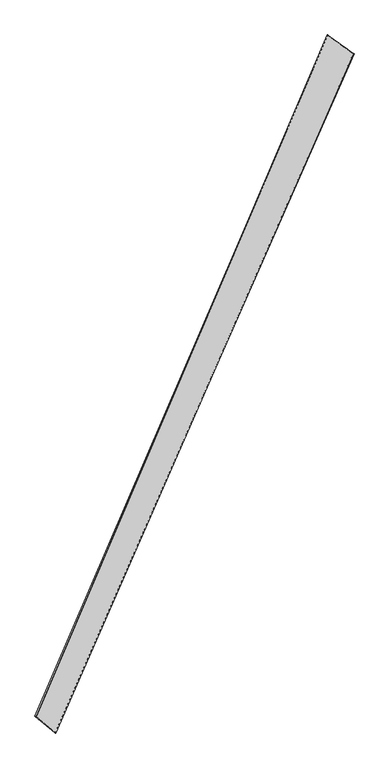
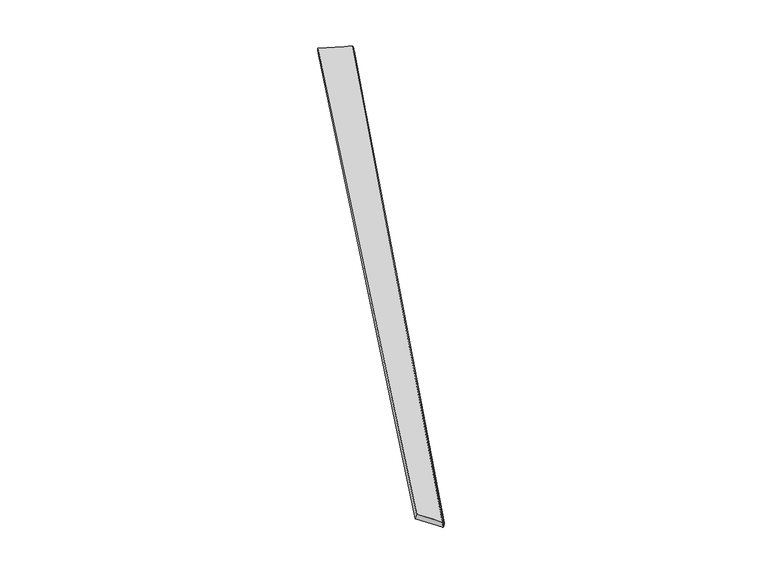
"""IFC4 building model written with IfcOpenShell, lengths in millimetres: proxy geometry."""

import ifcopenshell
import ifcopenshell.guid

model = None  # the IFC model being written
_history = None  # IfcOwnerHistory: only IFC2X3 demands one
_inside = {}  # id of a spatial element -> (the spatial element, [elements in it])
_under = {}  # id of a project, library or spatial element -> (it, [spatial elements below it])
_declared = {}  # id of a project -> (the project, [libraries it declares])
_typed = {}  # id of a type object -> (the type object, [elements of that type])
_made_of = {}  # id of a material, layer set ... -> (it, [elements and type objects made of it])


def new_model(schema):
    """Start an empty IFC model of exactly this schema.

    Asked for "IFC4X3", IfcOpenShell would pick the latest addendum, in which some entities
    have other attributes; the version numbers below select the first issue.
    IFC2X3 requires an IfcOwnerHistory on every rooted entity: one is made here for all.
    """
    global model, _history
    if schema == "IFC4X3":
        model = ifcopenshell.file(schema_version=(4, 3, 0, 0))
    else:
        model = ifcopenshell.file(schema=schema)
    _inside.clear()
    _under.clear()
    _declared.clear()
    _typed.clear()
    _made_of.clear()
    _history = None
    if model.schema == "IFC2X3":
        org = make("IfcOrganization", Name="unknown")
        user = make(
            "IfcPersonAndOrganization",
            ThePerson=make("IfcPerson", FamilyName="unknown"),
            TheOrganization=org,
        )
        app = make(
            "IfcApplication",
            ApplicationDeveloper=org,
            Version="unknown",
            ApplicationFullName="unknown",
            ApplicationIdentifier="unknown",
        )
        _history = make(
            "IfcOwnerHistory",
            OwningUser=user,
            OwningApplication=app,
            ChangeAction="ADDED",
            CreationDate=0,
        )
    return model


def make(cls, **values):
    """One entity of the class cls with the attributes given. An attribute that is None is left unset."""
    return model.create_entity(
        cls, **{name: value for name, value in values.items() if value is not None}
    )


def rooted(cls, **values):
    """An entity with a GlobalId (a new one), such as an element, a storey or a relation."""
    return make(cls, GlobalId=ifcopenshell.guid.new(), OwnerHistory=_history, **values)


def si_unit(unit_type, name, prefix=None):
    """IfcSIUnit, for example si_unit("LENGTHUNIT", "METRE", prefix="MILLI")."""
    return make("IfcSIUnit", UnitType=unit_type, Prefix=prefix, Name=name)


def assignment(units):
    """IfcUnitAssignment: the units of a project."""
    return None if units is None else make("IfcUnitAssignment", Units=units)


def point(xyz):
    """IfcCartesianPoint."""
    return None if xyz is None else make("IfcCartesianPoint", Coordinates=xyz)


def direction(xyz):
    """IfcDirection."""
    return None if xyz is None else make("IfcDirection", DirectionRatios=xyz)


def frame(location, z_axis=None, x_axis=None):
    """IfcAxis2Placement3D, a coordinate frame: its origin and axes. An axis left out is left unset."""
    return make(
        "IfcAxis2Placement3D",
        Location=point(location),
        Axis=direction(z_axis),
        RefDirection=direction(x_axis),
    )


def origin():
    """The frame at (0, 0, 0) with its axes left unset."""
    return frame((0.0, 0.0, 0.0))


def place(relative_to, where):
    """IfcLocalPlacement: puts the frame where relative to a parent placement (None: the world)."""
    return make(
        "IfcLocalPlacement", PlacementRelTo=relative_to, RelativePlacement=where
    )


def context(
    kind, dimensions, precision=None, world=None, true_north=None, identifier=None
):
    """IfcGeometricRepresentationContext, for example the 3D "Model" context."""
    return make(
        "IfcGeometricRepresentationContext",
        ContextIdentifier=identifier,
        ContextType=kind,
        CoordinateSpaceDimension=dimensions,
        Precision=precision,
        WorldCoordinateSystem=world,
        TrueNorth=true_north,
    )


def project(units=None, contexts=None):
    """IfcProject with its units and contexts."""
    return rooted(
        "IfcProject",
        Name="project",
        RepresentationContexts=contexts,
        UnitsInContext=assignment(units),
    )


def spatial(cls, under=None, at=None, **own):
    """A site, building, storey or space (cls), placed at a placement, below another one or the project."""
    s = rooted(cls, ObjectPlacement=at, **own)
    if under is not None:
        _under.setdefault(under.id(), (under, []))[1].append(s)
    return s


def shape(context_of_items, identifier, shape_type, items):
    """IfcShapeRepresentation: the items that make up one representation, for example the "Body"."""
    return make(
        "IfcShapeRepresentation",
        ContextOfItems=context_of_items,
        RepresentationIdentifier=identifier,
        RepresentationType=shape_type,
        Items=items,
    )


def source(mapping_origin, context_of_items, identifier, shape_type, items):
    """IfcRepresentationMap: a shape defined once, which mapped items show again and again."""
    return make(
        "IfcRepresentationMap",
        MappingOrigin=mapping_origin,
        MappedRepresentation=shape(context_of_items, identifier, shape_type, items),
    )


def transform(
    local_origin,
    x_axis=None,
    y_axis=None,
    z_axis=None,
    scale=None,
    scale2=None,
    scale3=None,
    uniform=True,
):
    """IfcCartesianTransformationOperator3D, or its non-uniform kind. x_axis, y_axis, z_axis: its Axis1, 2, 3."""
    if uniform:
        return make(
            "IfcCartesianTransformationOperator3D",
            Axis1=direction(x_axis),
            Axis2=direction(y_axis),
            LocalOrigin=point(local_origin),
            Scale=scale,
            Axis3=direction(z_axis),
        )
    return make(
        "IfcCartesianTransformationOperator3DnonUniform",
        Axis1=direction(x_axis),
        Axis2=direction(y_axis),
        LocalOrigin=point(local_origin),
        Scale=scale,
        Axis3=direction(z_axis),
        Scale2=scale2,
        Scale3=scale3,
    )


def mapped(mapping_source, mapping_target):
    """IfcMappedItem: shows the shape of a source again, moved by a transform."""
    return make(
        "IfcMappedItem", MappingSource=mapping_source, MappingTarget=mapping_target
    )


def made_of(thing, what):
    """Note that an element or type object is made of a material, layer set ...; save() writes the relation."""
    if what is not None:
        _made_of.setdefault(what.id(), (what, []))[1].append(thing)
    return thing


def element(
    cls,
    number,
    at=None,
    inside=None,
    cuts=None,
    type_object=None,
    material=None,
    context=None,
    identifier="Body",
    shape_type=None,
    held_by="IfcProductDefinitionShape",
    body=None,
    shapes=None,
    **own,
):
    """One element of the class cls, such as IfcWall. Its Tag is "e" and its number.

    at: its placement. inside: the storey or other place that contains it. cuts: it is an
    opening in that element (IfcRelVoidsElement). A single representation is given by context,
    identifier, shape_type and body (its items); several are given by shapes. held_by: the class
    of the entity that holds the representations. save() writes the other relations.
    """
    e = rooted(cls, Tag="e%d" % number, ObjectPlacement=at, **own)
    if body is not None:
        shapes = [shape(context, identifier, shape_type, body)]
    if shapes is not None:
        e.Representation = make(held_by, Representations=shapes)
    if inside is not None:
        _inside.setdefault(inside.id(), (inside, []))[1].append(e)
    if cuts is not None:
        rooted(
            "IfcRelVoidsElement", RelatingBuildingElement=cuts, RelatedOpeningElement=e
        )
    if type_object is not None:
        _typed.setdefault(type_object.id(), (type_object, []))[1].append(e)
    return made_of(e, material)


def aggregate(whole, parts):
    """IfcRelAggregates: a whole, such as a stair, and the parts it consists of."""
    return rooted("IfcRelAggregates", RelatingObject=whole, RelatedObjects=parts)


def save(model, path):
    """Write the relations noted so far, then the file.

    IfcRelAggregates (storeys below a building ...), IfcRelContainedInSpatialStructure (elements
    in a storey), IfcRelDefinesByType, IfcRelAssociatesMaterial and IfcRelDeclares: one each for
    every whole, place, type object, material and project.
    """
    for whole, parts in _under.values():
        aggregate(whole, parts)
    for where, things in _inside.values():
        rooted(
            "IfcRelContainedInSpatialStructure",
            RelatedElements=things,
            RelatingStructure=where,
        )
    for kind, things in _typed.values():
        rooted("IfcRelDefinesByType", RelatedObjects=things, RelatingType=kind)
    for what, things in _made_of.values():
        rooted("IfcRelAssociatesMaterial", RelatedObjects=things, RelatingMaterial=what)
    for by, libraries in _declared.values():
        rooted("IfcRelDeclares", RelatingContext=by, RelatedDefinitions=libraries)
    model.write(path)


def spline_surface(u_degree, v_degree, points, u_multiplicities, v_multiplicities, u_knots, v_knots, weights=None):
    """IfcBSplineSurfaceWithKnots; with weights, IfcRationalBSplineSurfaceWithKnots. points: one row for each step in u."""
    own = dict(
        UDegree=u_degree,
        VDegree=v_degree,
        ControlPointsList=[[point(p) for p in row] for row in points],
        SurfaceForm="UNSPECIFIED",
        UClosed=False,
        VClosed=False,
        SelfIntersect=False,
        UMultiplicities=u_multiplicities,
        VMultiplicities=v_multiplicities,
        UKnots=u_knots,
        VKnots=v_knots,
        KnotSpec="UNSPECIFIED",
    )
    if weights is None:
        return make("IfcBSplineSurfaceWithKnots", **own)
    return make("IfcRationalBSplineSurfaceWithKnots", WeightsData=weights, **own)


def advanced_brep(points, edges, surfaces, faces):
    """IfcAdvancedBrep: a solid bounded by faces that lie on surfaces and meet in shared edges.

    An edge is (start, end): straight between two places in points (the first is 0);
    or (start, end, curve); or (start, end, curve, False) where it runs against its curve.
    A face is (place in surfaces, loops), or (place, loops, False) where it looks against
    its surface's normal. A loop lists edges by number (the first is 1), with a minus sign
    where the edge is run from its end to its start. The first loop is the outer one.
    """
    corners = [point(p) for p in points]
    vertices = [make("IfcVertexPoint", VertexGeometry=c) for c in corners]
    made = []
    for start, end, *more in edges:
        made.append(
            make(
                "IfcEdgeCurve",
                EdgeStart=vertices[start],
                EdgeEnd=vertices[end],
                EdgeGeometry=more[0] if more else make("IfcPolyline", Points=[corners[start], corners[end]]),
                SameSense=more[1] if len(more) > 1 else True,
            )
        )
    hull = []
    for where, loops, *sense in faces:
        bounds = []
        for j, loop in enumerate(loops):
            ring = [make("IfcOrientedEdge", EdgeElement=made[abs(k) - 1], Orientation=k > 0) for k in loop]
            bounds.append(
                make(
                    "IfcFaceOuterBound" if j == 0 else "IfcFaceBound",
                    Bound=make("IfcEdgeLoop", EdgeList=ring),
                    Orientation=True,
                )
            )
        hull.append(make("IfcAdvancedFace", Bounds=bounds, FaceSurface=surfaces[where], SameSense=sense[0] if sense else True))
    return make("IfcAdvancedBrep", Outer=make("IfcClosedShell", CfsFaces=hull))


def generic_models_5d6bb4bc(model_context):
    return source(origin(), model_context, "Body", "AdvancedBrep", [
        advanced_brep(
        [(-707.2962671, -1791.8172101, -17.428391), (-712.6675687, -1789.2285792, -46.8298894), (990.2964496, 2069.6202831, -15.7342413), (984.6560214, 2071.8540045, 13.6459571), (-824.375423, -1694.7696008, -11.3108921), (841.9232789, 2176.4367111, -43.5353348), (-816.5332949, -1697.8881929, 17.4775676), (839.1735406, 2177.8513986, -13.6951338)],
        [
            (0, 1),
            (1, 2),
            (2, 3),
            (3, 0),
            (1, 4),
            (4, 5),
            (5, 2),
            (4, 6),
            (6, 7),
            (7, 5),
            (6, 0),
            (3, 7),
        ],
        [
            spline_surface(1, 1, [[(-707.2962671, -1791.8172101, -17.428391), (984.6560214, 2071.8540045, 13.6459571)], [(-712.6675687, -1789.2285792, -46.8298894), (990.2964496, 2069.6202831, -15.7342413)]], [2, 2], [2, 2], [0.0, 1.0], [0.0, 1.0]),
            spline_surface(1, 1, [[(-712.6675687, -1789.2285792, -46.8298894), (990.2964496, 2069.6202831, -15.7342413)], [(-824.375423, -1694.7696008, -11.3108921), (841.9232789, 2176.4367111, -43.5353348)]], [2, 2], [2, 2], [0.0, 1.0], [0.0, 1.0]),
            spline_surface(1, 1, [[(-824.375423, -1694.7696008, -11.3108921), (841.9232789, 2176.4367111, -43.5353348)], [(-816.5332949, -1697.8881929, 17.4775676), (839.1735406, 2177.8513986, -13.6951338)]], [2, 2], [2, 2], [0.0, 1.0], [0.0, 1.0]),
            spline_surface(1, 1, [[(-816.5332949, -1697.8881929, 17.4775676), (839.1735406, 2177.8513986, -13.6951338)], [(-707.2962671, -1791.8172101, -17.428391), (984.6560214, 2071.8540045, 13.6459571)]], [2, 2], [2, 2], [0.0, 1.0], [0.0, 1.0]),
            spline_surface(1, 1, [[(990.2964496, 2069.6202831, -15.7342413), (984.6560214, 2071.8540045, 13.6459571)], [(841.9232789, 2176.4367111, -43.5353348), (839.1735406, 2177.8513986, -13.6951338)]], [2, 2], [2, 2], [0.0, 1.0], [0.0, 1.0]),
            spline_surface(1, 1, [[(-816.5332949, -1697.8881929, 17.4775676), (-707.2962671, -1791.8172101, -17.428391)], [(-824.375423, -1694.7696008, -11.3108921), (-712.6675687, -1789.2285792, -46.8298894)]], [2, 2], [2, 2], [0.0, 1.0], [0.0, 1.0]),
        ],
        [
            (0, [[1, 2, 3, 4]]),
            (1, [[5, 6, 7, -2]]),
            (2, [[8, 9, 10, -6]]),
            (3, [[11, -4, 12, -9]]),
            (4, [[-3, -7, -10, -12]]),
            (5, [[-11, -8, -5, -1]]),
        ],
    ),
    ])


if __name__ == "__main__":
    model = new_model("IFC4")
    model_context = context("Model", 3, world=origin())
    ifc_project = project(units=[si_unit("LENGTHUNIT", "METRE", prefix="MILLI")], contexts=[model_context])
    site = spatial("IfcSite", under=ifc_project)
    building = spatial("IfcBuilding", under=site)
    placement = place(None, origin())
    generic_models_shape = generic_models_5d6bb4bc(model_context)
    element("IfcBuildingElementProxy", 1, Name="Generic Models", at=placement, inside=building, context=model_context, shape_type="MappedRepresentation", body=[
        mapped(generic_models_shape, transform((0.0, 0.0, 0.0), x_axis=(1.0, 0.0, 0.0), y_axis=(0.0, 1.0, 0.0), z_axis=(0.0, 0.0, 1.0))),
    ])
    save(model, "model.ifc")
